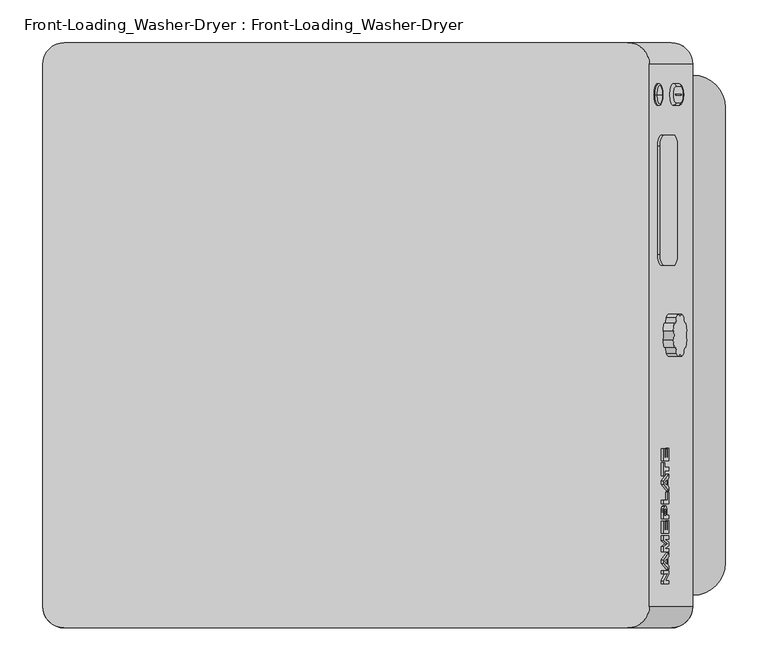
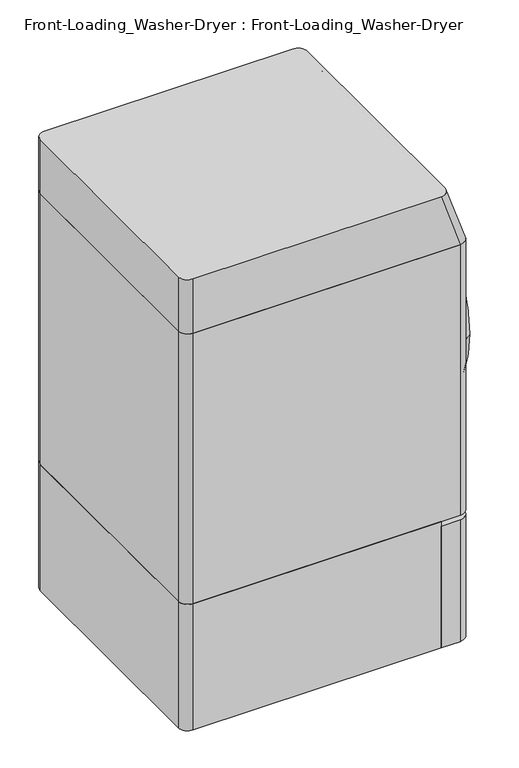
"""IFC4 building model written with IfcOpenShell, lengths in millimetres: proxy geometry, Front-Loading_Washer-Dryer : Front-Loading_Washer-Dryer."""

from ifc_helpers import new_model, si_unit, point, frame, frame_2d, origin, origin_with_axes, place, context, project, spatial, polyline, circle_curve, ellipse_curve, trimmed, segment, composite_curve, outline, extrude, source, transform, mapped, element, save
from ifc_brep_helpers import plane_surface, cylinder_surface, revolved_surface, extruded_surface, advanced_brep


def front_loading_washer_dryer_front_loading_washer_dryer_fe04e321(model_context):
    return source(origin(), model_context, "Body", "SolidModel", [
        extrude(outline(composite_curve([segment(polyline([(0.0, 0.0), (19.0499999, 0.0)]), True, "CONTINUOUS"), segment(trimmed(circle_curve(frame_2d((19.0499999, -0.5953125)), 0.5953125), [point((19.0499999, 0.0))], [point((19.0499999, -1.190625))], False, "CARTESIAN"), True, "CONTINUOUS"), segment(polyline([(19.0499999, -1.190625), (0.0, -1.190625)]), True, "CONTINUOUS"), segment(trimmed(circle_curve(frame_2d((0.0, -0.5953125)), 0.5953125), [point((0.0, -1.190625))], [point((0.0, 0.0))], False, "CARTESIAN"), True, "CONTINUOUS")], self_intersect=False)), frame((358.0172785, 282.6349595, 1186.6279667), z_axis=(0.9489499247890736, 0.0, 0.31542675892005706), x_axis=(0.31542675892005706, 0.0, -0.9489499247890736)), (0.0, 0.0, 1.0), 3.175),
        advanced_brep(
        [(358.0172785, 294.739647, 1186.6279667), (358.0172785, 269.339647, 1186.6279667), (361.0301945, 272.514647, 1187.6294467), (361.0301945, 291.564647, 1187.6294467), (367.0390743, 291.564647, 1169.5519506), (364.0261583, 294.739647, 1168.5504707), (364.0261583, 269.339647, 1168.5504707), (367.0390743, 272.514647, 1169.5519506), (361.0301945, 282.3373033, 1187.6294467), (367.0390743, 282.3373033, 1169.5519506), (367.0390743, 281.7419908, 1169.5519506), (361.0301945, 281.7419908, 1187.6294467), (358.0172785, 281.7419908, 1186.6279667), (358.0172785, 282.3373033, 1186.6279667), (364.0261583, 282.3373033, 1168.5504707), (364.0261583, 281.7419908, 1168.5504707)],
        [
            (0, 1, circle_curve(frame((358.0172785, 282.039647, 1186.6279667), z_axis=(0.9489499247890735, 0.0, 0.31542675892005706), x_axis=(0.0, -1.0, 0.0)), 12.7)),
            (1, 2, circle_curve(frame((358.0172785, 272.514647, 1186.6279667), z_axis=(-0.31542675892005706, 0.0, 0.9489499247890735), x_axis=(0.9489499247890735, 0.0, 0.31542675892005706)), 3.175)),
            (2, 3, circle_curve(frame((361.0301945, 282.039647, 1187.6294467), z_axis=(-0.9489499247890735, 0.0, -0.31542675892005706), x_axis=(0.0, -1.0, 0.0)), 9.525)),
            (3, 0, circle_curve(frame((358.0172785, 291.564647, 1186.6279667), z_axis=(-0.31542675892005706, 0.0, 0.9489499247890735), x_axis=(0.9489499247890735, 0.0, 0.31542675892005706)), 3.175)),
            (3, 4),
            (4, 5, circle_curve(frame((364.0261583, 291.564647, 1168.5504707), z_axis=(-0.31542675892005717, 0.0, 0.9489499247890735), x_axis=(0.9489499247890735, 0.0, 0.31542675892005717)), 3.175)),
            (5, 0),
            (6, 5, circle_curve(frame((364.0261583, 282.039647, 1168.5504707), z_axis=(0.9489499247890735, 0.0, 0.31542675892005706), x_axis=(0.0, 1.0, 0.0)), 12.7)),
            (4, 7, circle_curve(frame((367.0390743, 282.039647, 1169.5519506), z_axis=(-0.9489499247890735, 0.0, -0.31542675892005706), x_axis=(0.0, 1.0, 0.0)), 9.525)),
            (7, 6, circle_curve(frame((364.0261583, 272.514647, 1168.5504707), z_axis=(0.31542675892005706, 0.0, -0.9489499247890735), x_axis=(0.9489499247890735, 0.0, 0.31542675892005706)), 3.175)),
            (2, 7),
            (8, 9),
            (9, 10, circle_curve(frame((367.0390743, 282.039647, 1169.5519506), z_axis=(-0.9489499247890735, 0.0, -0.31542675892005706), x_axis=(0.0, 1.0, 0.0)), 0.2976563)),
            (10, 11),
            (11, 8, circle_curve(frame((361.0301945, 282.039647, 1187.6294467), z_axis=(-0.9489499247890735, 0.0, -0.31542675892005706), x_axis=(0.0, -1.0, 0.0)), 0.2976563)),
            (1, 6),
            (11, 12),
            (12, 13, circle_curve(frame((358.0172785, 282.039647, 1186.6279667), z_axis=(-0.9489499247890735, 0.0, -0.31542675892005706), x_axis=(0.0, -1.0, 0.0)), 0.2976563)),
            (13, 8),
            (13, 14),
            (14, 9),
            (14, 15, circle_curve(frame((364.0261583, 282.039647, 1168.5504707), z_axis=(-0.9489499247890735, 0.0, -0.31542675892005706), x_axis=(0.0, 1.0, 0.0)), 0.2976563)),
            (15, 10),
            (12, 15),
        ],
        [
            revolved_surface(trimmed(ellipse_curve(frame((358.0172785, 272.514647, 1186.6279667), z_axis=(0.31542675892005706, 0.0, -0.9489499247890735), x_axis=(0.9489499247890735, 0.0, 0.31542675892005706)), 3.175, 3.175), [point((361.0301945, 272.514647, 1187.6294467))], [point((358.0172785, 269.339647, 1186.6279667))], True, "CARTESIAN"), (8.7732657, 282.039647, 1070.5408011), (-0.9489499247890735, 0.0, -0.31542675892005706)),
            cylinder_surface(frame((358.0172785, 291.564647, 1186.6279667), z_axis=(-0.31542675892005717, 0.0, 0.9489499247890735), x_axis=(0.9489499247890735, 0.0, 0.31542675892005717)), 3.175),
            revolved_surface(trimmed(ellipse_curve(frame((364.0261583, 291.564647, 1168.5504707), z_axis=(-0.31542675892005706, 0.0, 0.9489499247890735), x_axis=(0.9489499247890735, 0.0, 0.31542675892005706)), 3.175, 3.175), [point((367.0390743, 291.564647, 1169.5519506))], [point((364.0261583, 294.739647, 1168.5504707))], True, "CARTESIAN"), (14.7821454, 282.039647, 1052.4633051), (-0.9489499247890735, 0.0, -0.31542675892005706)),
            plane_surface(frame((367.0390743, 281.7419908, 1169.5519506), z_axis=(0.9489499247890728, 0.0, 0.3154267589200591), x_axis=(-0.3154267589200591, 0.0, 0.9489499247890728))),
            cylinder_surface(frame((364.0261583, 272.514647, 1168.5504707), z_axis=(0.31542675892005706, 0.0, -0.9489499247890735), x_axis=(0.9489499247890735, 0.0, 0.31542675892005706)), 3.175),
            revolved_surface(polyline([(358.0172785111527, 281.7419907, 1186.6279666664473), (361.030194524369, 281.7419907, 1187.6294466266868)]), (8.7732657, 282.039647, 1070.5408011), (-0.9489499247890735, 0.0, -0.31542675892005706)),
            plane_surface(frame((358.0172785, 282.3373033, 1186.6279667), z_axis=(0.0, -1.0000000000000002, 0.0), x_axis=(0.3154267589200549, 0.0, -0.9489499247890743))),
            revolved_surface(polyline([(364.0261583012034, 282.33730330000003, 1168.5504706963798), (367.0390742844871, 282.33730330000003, 1169.5519506466699)]), (14.7821454, 282.039647, 1052.4633051), (-0.9489499247890735, 0.0, -0.31542675892005706)),
            plane_surface(frame((364.0261583, 269.339647, 1168.5504707), z_axis=(-0.9489499247890736, 0.0, -0.31542675892005706), x_axis=(-0.31542675892005706, 0.0, 0.9489499247890736))),
            plane_surface(frame((364.0261583, 281.7419908, 1168.5504707), z_axis=(0.0, 1.0, 0.0), x_axis=(-0.3154267589200591, 0.0, 0.9489499247890728))),
        ],
        [
            (0, [[1, 2, 3, 4]]),
            (1, [[-4, 5, 6, 7]]),
            (2, [[8, -6, 9, 10]]),
            (3, [[11, -9, -5, -3], [12, 13, 14, 15]]),
            (4, [[-10, -11, -2, 16]]),
            (5, [[-15, 17, 18, 19]]),
            (6, [[-19, 20, 21, -12]]),
            (7, [[-13, -21, 22, 23]]),
            (8, [[-7, -8, -16, -1], [24, -22, -20, -18]]),
            (9, [[-23, -24, -17, -14]]),
        ],
    ),
        advanced_brep(
        [(344.8918447, 282.039647, 1230.9734177), (336.8930612, 282.039647, 1255.0810817), (338.8966912, 282.039647, 1254.0757933), (345.897133, 282.039647, 1232.9770478), (343.3851157, 282.039647, 1230.4734937), (335.3863322, 282.039647, 1254.5811577), (339.3857239, 282.039647, 1242.5273257), (342.3991819, 282.039647, 1243.5271736)],
        [
            (0, 1, circle_curve(frame((340.8924529, 282.039647, 1243.0272497), z_axis=(0.9491206283750023, 0.0, 0.3149127383784923), x_axis=(-0.3149127383784923, 0.0, 0.9491206283750023)), 12.7)),
            (1, 2, circle_curve(frame((337.392232, 282.039647, 1253.5766224), z_axis=(0.0, 1.0, 0.0), x_axis=(0.9491206283750023, 0.0, 0.3149127383784923)), 1.5851085)),
            (2, 3, circle_curve(frame((342.3969121, 282.039647, 1243.5264205), z_axis=(-0.9491206283750023, 0.0, -0.3149127383784923), x_axis=(-0.3149127383784923, 0.0, 0.9491206283750023)), 11.1148915)),
            (3, 0, circle_curve(frame((344.3926738, 282.039647, 1232.4778769), z_axis=(0.0, 1.0, 0.0), x_axis=(0.9491206283750023, 0.0, 0.3149127383784923)), 1.5851085)),
            (1, 0, circle_curve(frame((340.8924529, 282.039647, 1243.0272497), z_axis=(0.9491206283750023, 0.0, 0.3149127383784923), x_axis=(-0.3149127383784923, 0.0, 0.9491206283750023)), 12.7)),
            (3, 2, circle_curve(frame((342.3969121, 282.039647, 1243.5264205), z_axis=(-0.9491206283750023, 0.0, -0.3149127383784923), x_axis=(-0.3149127383784923, 0.0, 0.9491206283750023)), 11.1148915)),
            (4, 5, circle_curve(frame((339.3857239, 282.039647, 1242.5273257), z_axis=(0.9491206283750023, 0.0, 0.3149127383784923), x_axis=(-0.3149127383784923, 0.0, 0.9491206283750023)), 12.7)),
            (5, 1),
            (0, 4),
            (5, 4, circle_curve(frame((339.3857239, 282.039647, 1242.5273257), z_axis=(0.9491206283750023, 0.0, 0.3149127383784923), x_axis=(-0.3149127383784923, 0.0, 0.9491206283750023)), 12.7)),
            (6, 5),
            (4, 6),
            (2, 7),
            (7, 3),
        ],
        [
            revolved_surface(trimmed(ellipse_curve(frame((337.392232, 282.039647, 1253.5766224), z_axis=(0.0, -1.0, 0.0), x_axis=(0.9491206283750023, 0.0, 0.3149127383784923)), 1.5851085, 1.5851085), [point((338.8966912, 282.039647, 1254.0757933))], [point((336.8930612, 282.039647, 1255.0810817))], True, "CARTESIAN"), (332.6969159, 282.039647, 1240.3080179), (-0.9491206283750023, 0.0, -0.3149127383784923)),
            cylinder_surface(frame((332.6969159, 282.039647, 1240.3080179), z_axis=(-0.9491206283750023, 0.0, -0.3149127383784923), x_axis=(-0.3149127383784923, 0.0, 0.9491206283750023)), 12.7),
            plane_surface(frame((339.3857239, 282.039647, 1242.5273257), z_axis=(-0.9491206283750023, 0.0, -0.3149127383784923), x_axis=(-0.3149127383784923, 0.0, 0.9491206283750023))),
            plane_surface(frame((342.3991819, 282.039647, 1243.5271736), z_axis=(0.9491206283750023, 0.0, 0.3149127383784923), x_axis=(-0.3149127383784923, 0.0, 0.9491206283750023))),
        ],
        [
            (0, [[1, 2, 3, 4]]),
            (0, [[5, -4, 6, -2]]),
            (1, [[7, 8, -1, 9]]),
            (1, [[10, -9, -5, -8]]),
            (2, [[11, -7, 12]]),
            (2, [[-12, -10, -11]]),
            (3, [[-3, 13, 14]]),
            (3, [[-6, -14, -13]]),
        ],
    ),
        advanced_brep(
        [(304.8, 342.9, 342.9), (304.8, -342.9, 342.9), (355.6, -342.9, 342.9), (381.0, -317.5, 342.9), (381.0, 317.5, 342.9), (355.6, 342.9, 342.9), (304.8, 342.9, 0.0), (355.6, 342.9, 0.0), (381.0, 317.5, 0.0), (381.0, -317.5, 0.0), (355.6, -342.9, 0.0), (304.8, -342.9, 0.0), (381.0, -50.8, 317.5), (381.0, 50.8, 317.5), (381.0, 50.8, 292.1), (381.0, -50.8, 292.1), (355.6, 50.8, 317.5), (355.6, -50.8, 317.5), (355.6, -50.8, 292.1), (355.6, 50.8, 292.1)],
        [
            (0, 1),
            (1, 2),
            (2, 3, circle_curve(frame((355.6, -317.5, 342.9), z_axis=(0.0, 0.0, 1.0), x_axis=(1.0, 0.0, 0.0)), 25.4)),
            (3, 4),
            (4, 5, circle_curve(frame((355.6, 317.5, 342.9), z_axis=(0.0, 0.0, 1.0), x_axis=(1.0, 0.0, 0.0)), 25.4)),
            (5, 0),
            (6, 7),
            (7, 8, circle_curve(frame((355.6, 317.5, 0.0), z_axis=(0.0, 0.0, -1.0), x_axis=(1.0, 0.0, 0.0)), 25.4)),
            (8, 9),
            (9, 10, circle_curve(frame((355.6, -317.5, 0.0), z_axis=(0.0, 0.0, -1.0), x_axis=(1.0, 0.0, 0.0)), 25.4)),
            (10, 11),
            (11, 6),
            (1, 11),
            (10, 2),
            (5, 7),
            (6, 0),
            (3, 9),
            (8, 4),
            (12, 13),
            (13, 14, circle_curve(frame((381.0, 50.8, 304.8), z_axis=(-1.0, 0.0, 0.0), x_axis=(0.0, -1.0, 0.0)), 12.7)),
            (14, 15),
            (15, 12, circle_curve(frame((381.0, -50.8, 304.8), z_axis=(-1.0, 0.0, 0.0), x_axis=(0.0, 1.0, 0.0)), 12.7)),
            (16, 17),
            (17, 18, circle_curve(frame((355.6, -50.8, 304.8), z_axis=(1.0, 0.0, 0.0), x_axis=(0.0, 1.0, 0.0)), 12.7)),
            (18, 19),
            (19, 16, circle_curve(frame((355.6, 50.8, 304.8), z_axis=(1.0, 0.0, 0.0), x_axis=(0.0, -1.0, 0.0)), 12.7)),
            (16, 13),
            (12, 17),
            (15, 18),
            (14, 19),
        ],
        [
            plane_surface(frame((304.8, -292.1, 342.9), z_axis=(0.0, 0.0, 1.0), x_axis=(0.0, -1.0, 0.0))),
            plane_surface(frame((304.8, -292.1, 0.0), z_axis=(0.0, 0.0, -1.0), x_axis=(0.0, 1.0, 0.0))),
            plane_surface(frame((304.8, -342.9, 342.9), z_axis=(0.0, -1.0, 0.0), x_axis=(0.0, 0.0, -1.0))),
            plane_surface(frame((355.6, 342.9, 342.9), z_axis=(0.0, 1.0, 0.0), x_axis=(0.0, 0.0, -1.0))),
            plane_surface(frame((381.0, -317.5, 342.9), z_axis=(1.0, 0.0, 0.0), x_axis=(0.0, 0.0, -1.0))),
            plane_surface(frame((304.8, 342.9, 342.9), z_axis=(-1.0, 0.0, 0.0), x_axis=(0.0, 0.0, -1.0))),
            cylinder_surface(frame((355.6, -317.5, 0.0), z_axis=(0.0, 0.0, 1.0), x_axis=(1.0, 0.0, 0.0)), 25.4),
            cylinder_surface(frame((355.6, 317.5, 0.0), z_axis=(0.0, 0.0, 1.0), x_axis=(1.0, 0.0, 0.0)), 25.4),
            plane_surface(frame((355.6, 0.0, 317.5), z_axis=(1.0, 0.0, 0.0), x_axis=(0.0, 1.0, 0.0))),
            plane_surface(frame((381.0, 50.8, 317.5), z_axis=(0.0, 0.0, -1.0), x_axis=(-1.0, 0.0, 0.0))),
            revolved_surface(polyline([(381.0, -38.099999999999994, 304.8), (355.6, -38.099999999999994, 304.8)]), (355.6, -50.8, 304.8), (1.0, 0.0, 0.0)),
            plane_surface(frame((381.0, -50.8, 292.1), z_axis=(0.0, 0.0, 1.0), x_axis=(-1.0, 0.0, 0.0))),
            revolved_surface(polyline([(381.0, 38.099999999999994, 304.8), (355.6, 38.099999999999994, 304.8)]), (355.6, 50.8, 304.8), (1.0, 0.0, 0.0)),
        ],
        [
            (0, [[1, 2, 3, 4, 5, 6]]),
            (1, [[7, 8, 9, 10, 11, 12]]),
            (2, [[-2, 13, -11, 14]]),
            (3, [[-6, 15, -7, 16]]),
            (4, [[-4, 17, -9, 18], [19, 20, 21, 22]]),
            (5, [[-1, -16, -12, -13]]),
            (6, [[-3, -14, -10, -17]]),
            (7, [[-5, -18, -8, -15]]),
            (8, [[23, 24, 25, 26]]),
            (9, [[-23, 27, -19, 28]]),
            (10, [[-24, -28, -22, 29]]),
            (11, [[-25, -29, -21, 30]]),
            (12, [[-26, -30, -20, -27]]),
        ],
    ),
        extrude(outline(composite_curve([segment(polyline([(-355.6, 342.9), (304.8, 342.9), (304.8, -342.9), (-355.6, -342.9)]), True, "CONTINUOUS"), segment(trimmed(circle_curve(frame_2d((-355.6, -317.5)), 25.4), [point((-355.6, -342.9))], [point((-381.0, -317.5))], False, "CARTESIAN"), True, "CONTINUOUS"), segment(polyline([(-381.0, -317.5), (-381.0, 317.5)]), True, "CONTINUOUS"), segment(trimmed(circle_curve(frame_2d((-355.6, 317.5)), 25.4), [point((-381.0, 317.5))], [point((-355.6, 342.9))], False, "CARTESIAN"), True, "CONTINUOUS")], self_intersect=False)), origin_with_axes(), (0.0, 0.0, 1.0), 355.6),
        extrude(outline(polyline([(0.0, 0.0), (0.0, -19.4082653), (-3.6475934, -19.4082653), (-11.7326802, -6.4694217), (-11.7326802, -19.4082653), (-15.3511703, -19.4082653), (-15.3511703, 0.0), (-11.5177805, 0.0), (-3.5819397, -12.6999999), (-3.5819397, 0.0), (0.0, 0.0)])), frame((349.7854845, -291.3389733, 1210.7781159), z_axis=(0.9510565162951609, 0.0, 0.30901699437492497), x_axis=(0.0, -1.0, 0.0)), (0.0, 0.0, 1.0), 3.175),
        extrude(outline(polyline([(-20.9183696, 0.0), (-16.8004034, 0.0), (-24.2694615, -19.4082653), (-28.4113643, -19.4082653), (-36.2528125, 0.0), (-31.9718055, 0.0), (-30.2874339, -4.3879381), (-22.5154485, -4.3879381), (-20.9183696, 0.0)]), holes=[polyline([(-29.0094045, -7.7173184), (-26.2980665, -14.7805955), (-23.7272438, -7.7173184), (-29.0094045, -7.7173184)])]), frame((349.7854845, -291.3389733, 1210.7781159), z_axis=(0.9510565162951609, 0.0, 0.30901699437492497), x_axis=(0.0, -1.0, 0.0)), (0.0, 0.0, 1.0), 3.175),
        extrude(outline(polyline([(-41.0940666, 0.0), (-37.4402955, 0.0), (-37.4402955, -19.4082653), (-43.2719944, -19.4082653), (-46.8129646, -6.1931846), (-50.2976749, -19.4082653), (-56.1564266, -19.4082653), (-56.1564266, 0.0), (-52.4904717, 0.0), (-52.4904717, -15.3362999), (-48.6667027, 0.0), (-44.8805558, 0.0), (-41.0940666, -15.1867784), (-41.0940666, 0.0)])), frame((349.7854845, -291.3389733, 1210.7781159), z_axis=(0.9510565162951609, 0.0, 0.30901699437492497), x_axis=(0.0, -1.0, 0.0)), (0.0, 0.0, 1.0), 3.175),
        extrude(outline(polyline([(-59.2631052, -19.4082653), (-73.5745418, -19.4082653), (-73.5745418, -16.1146466), (-63.0564338, -16.1146466), (-63.0564338, -11.8382492), (-72.8884929, -11.8382492), (-72.8884929, -8.5121622), (-63.0564338, -8.5121622), (-63.0564338, -3.2854542), (-73.9850051, -3.2854542), (-73.9850051, 0.0), (-59.2631052, 0.0), (-59.2631052, -19.4082653)])), frame((349.7854845, -291.3389733, 1210.7781159), z_axis=(0.9510565162951609, 0.0, 0.30901699437492497), x_axis=(0.0, -1.0, 0.0)), (0.0, 0.0, 1.0), 3.175),
        extrude(outline(composite_curve([segment(polyline([(-76.481082, 0.0), (-76.481082, -19.4082653), (-84.3834369, -19.4082653)]), True, "CONTINUOUS"), segment(trimmed(circle_curve(frame_2d((-84.0445582, 5.7496213)), 25.1601689), [point((-84.3834369, -19.4082653))], [point((-86.1905714, -19.3188595))], False, "CARTESIAN"), True, "CONTINUOUS"), segment(trimmed(circle_curve(frame_2d((-85.8381456, -13.4521879)), 5.8772476), [point((-86.1905714, -19.3188595))], [point((-87.9584349, -18.9336486))], False, "CARTESIAN"), True, "CONTINUOUS"), segment(trimmed(circle_curve(frame_2d((-85.9272377, -13.9904108)), 5.3442831), [point((-87.9584349, -18.9336486))], [point((-91.0508465, -15.5102776))], False, "CARTESIAN"), True, "CONTINUOUS"), segment(trimmed(circle_curve(frame_2d((-85.0362422, -13.7261061)), 6.2736539), [point((-91.0508465, -15.5102776))], [point((-91.2999218, -13.3724806))], False, "CARTESIAN"), True, "CONTINUOUS"), segment(trimmed(circle_curve(frame_2d((-85.0362422, -13.0188551)), 6.2736539), [point((-91.2999218, -13.3724806))], [point((-91.0508465, -11.2346837))], False, "CARTESIAN"), True, "CONTINUOUS"), segment(trimmed(circle_curve(frame_2d((-85.9272377, -12.7545503)), 5.3442831), [point((-91.0508465, -11.2346837))], [point((-87.9584349, -7.8113125))], False, "CARTESIAN"), True, "CONTINUOUS"), segment(trimmed(circle_curve(frame_2d((-85.8381456, -13.2927734)), 5.8772476), [point((-87.9584349, -7.8113125))], [point((-86.1905714, -7.4261018))], False, "CARTESIAN"), True, "CONTINUOUS"), segment(trimmed(circle_curve(frame_2d((-84.0445582, -32.4945826)), 25.1601689), [point((-86.1905714, -7.4261018))], [point((-85.0508669, -7.3545459))], False, "CARTESIAN"), True, "CONTINUOUS"), segment(polyline([(-85.0508669, -7.3545459), (-80.3729896, -7.3545459), (-80.3729896, 0.0), (-76.481082, 0.0)]), True, "CONTINUOUS")], self_intersect=False), holes=[composite_curve([segment(polyline([(-80.3801712, -10.5984368), (-83.5058008, -10.5984368)]), True, "CONTINUOUS"), segment(trimmed(circle_curve(frame_2d((-82.3954332, -31.8055515)), 21.2361633), [point((-83.5058008, -10.5984368))], [point((-85.0356017, -10.7341458))], True, "CARTESIAN"), True, "CONTINUOUS"), segment(trimmed(circle_curve(frame_2d((-84.7107772, -13.3265976)), 2.6127223), [point((-85.0356017, -10.7341458))], [point((-87.3230965, -13.3724806))], True, "CARTESIAN"), True, "CONTINUOUS"), segment(trimmed(circle_curve(frame_2d((-84.7107772, -13.4183637)), 2.6127223), [point((-87.3230965, -13.3724806))], [point((-85.0356017, -16.0108155))], True, "CARTESIAN"), True, "CONTINUOUS"), segment(trimmed(circle_curve(frame_2d((-82.3954332, 5.0605902)), 21.2361633), [point((-85.0356017, -16.0108155))], [point((-83.5058008, -16.1465245))], True, "CARTESIAN"), True, "CONTINUOUS"), segment(polyline([(-83.5058008, -16.1465245), (-80.3801712, -16.1465245), (-80.3801712, -10.5984368)]), True, "CONTINUOUS")], self_intersect=False)]), frame((349.7854845, -291.3389733, 1210.7781159), z_axis=(0.9510565162951609, 0.0, 0.30901699437492497), x_axis=(0.0, -1.0, 0.0)), (0.0, 0.0, 1.0), 3.175),
        extrude(outline(polyline([(-93.9163454, -19.4082653), (-97.7191565, -19.4082653), (-97.7191565, -3.3491184), (-107.5019032, -3.3491184), (-107.5019032, 0.0), (-93.9163454, 0.0), (-93.9163454, -19.4082653)])), frame((349.7854845, -291.3389733, 1210.7781159), z_axis=(0.9510565162951609, 0.0, 0.30901699437492497), x_axis=(0.0, -1.0, 0.0)), (0.0, 0.0, 1.0), 3.175),
        extrude(outline(polyline([(-113.3447478, 0.0), (-109.1479574, 0.0), (-116.6703908, -19.4137355), (-120.8089322, -19.4137355), (-128.5742308, 0.0), (-124.3721052, 0.0), (-122.6975907, -4.3622596), (-114.9324805, -4.3622596), (-113.3447478, 0.0)]), holes=[polyline([(-121.4098452, -7.7169513), (-118.7117523, -14.7457236), (-116.1534884, -7.7169513), (-121.4098452, -7.7169513)])]), frame((349.7854845, -291.3389733, 1210.7781159), z_axis=(0.9510565162951609, 0.0, 0.30901699437492497), x_axis=(0.0, -1.0, 0.0)), (0.0, 0.0, 1.0), 3.175),
        extrude(outline(polyline([(-142.1543419, -19.4137355), (-142.1543419, -16.1834727), (-136.4699652, -16.1834727), (-136.4699652, -0.037563), (-132.5739016, -0.037563), (-132.5739016, -16.1834727), (-126.7721711, -16.1834727), (-126.7721711, -19.4137355), (-142.1543419, -19.4137355)])), frame((349.7854845, -291.3389733, 1210.7781159), z_axis=(0.9510565162951609, 0.0, 0.30901699437492497), x_axis=(0.0, -1.0, 0.0)), (0.0, 0.0, 1.0), 3.175),
        extrude(outline(polyline([(-143.9581497, -19.4082653), (-158.2695863, -19.4082653), (-158.2695863, -16.1146466), (-147.7514783, -16.1146466), (-147.7514783, -11.8382492), (-157.5835374, -11.8382492), (-157.5835374, -8.5121622), (-147.7514783, -8.5121622), (-147.7514783, -3.2854542), (-158.6800496, -3.2854542), (-158.6800496, 0.0), (-143.9581497, 0.0), (-143.9581497, -19.4082653)])), frame((349.7854845, -291.3389733, 1210.7781159), z_axis=(0.9510565162951609, 0.0, 0.30901699437492497), x_axis=(0.0, -1.0, 0.0)), (0.0, 0.0, 1.0), 3.175),
        extrude(outline(composite_curve([segment(trimmed(circle_curve(frame_2d((139.7, -12.6999999)), 12.7), [point((139.7, 0.0))], [point((152.4, -12.6999999))], False, "CARTESIAN"), True, "CONTINUOUS"), segment(polyline([(152.4, -12.6999999), (152.4, -50.8)]), True, "CONTINUOUS"), segment(trimmed(circle_curve(frame_2d((139.7, -50.8)), 12.7), [point((152.4, -50.8))], [point((139.7, -63.4999999))], False, "CARTESIAN"), True, "CONTINUOUS"), segment(polyline([(139.7, -63.4999999), (12.7, -63.4999999)]), True, "CONTINUOUS"), segment(trimmed(circle_curve(frame_2d((12.7, -50.8)), 12.7), [point((12.7, -63.4999999))], [point((0.0, -50.8))], False, "CARTESIAN"), True, "CONTINUOUS"), segment(polyline([(0.0, -50.8), (0.0, -12.6999999)]), True, "CONTINUOUS"), segment(trimmed(circle_curve(frame_2d((12.7, -12.6999999)), 12.7), [point((0.0, -12.6999999))], [point((12.7, 0.0))], False, "CARTESIAN"), True, "CONTINUOUS"), segment(polyline([(12.7, 0.0), (139.7, 0.0)]), True, "CONTINUOUS")], self_intersect=False)), frame((339.7309526, 82.014647, 1241.5274215), z_axis=(0.9480173131012217, 0.0, 0.31821875189928733), x_axis=(0.0, 1.0, 0.0)), (0.0, 0.0, 1.0), 3.175),
        extrude(outline(composite_curve([segment(trimmed(circle_curve(frame_2d((0.0, -22.1770467)), 25.4), [point((5.1874203, 2.6876003))], [point((6.3001953, 2.4292033))], False, "CARTESIAN"), True, "CONTINUOUS"), segment(trimmed(circle_curve(frame_2d((0.0, -22.1770467)), 25.4), [point((6.3001953, 2.4292033))], [point((13.9139006, -0.9270262))], False, "CARTESIAN"), True, "CONTINUOUS"), segment(trimmed(circle_curve(frame_2d((20.1716682, -2.0053785)), 6.35), [point((13.9139006, -0.9270262))], [point((21.2500206, -8.2631462))], True, "CARTESIAN"), True, "CONTINUOUS"), segment(trimmed(circle_curve(frame_2d((0.0, -22.1770467)), 25.4), [point((21.2500206, -8.2631462))], [point((24.8646471, -16.9896265))], False, "CARTESIAN"), True, "CONTINUOUS"), segment(trimmed(circle_curve(frame_2d((28.5270467, -22.1770467)), 6.35), [point((24.8646471, -16.9896265))], [point((24.8646471, -27.3644669))], True, "CARTESIAN"), True, "CONTINUOUS"), segment(trimmed(circle_curve(frame_2d((0.0, -22.1770467)), 25.4), [point((24.8646471, -27.3644669))], [point((21.2500206, -36.0909472))], False, "CARTESIAN"), True, "CONTINUOUS"), segment(trimmed(circle_curve(frame_2d((20.1716682, -42.3487149)), 6.35), [point((21.2500206, -36.0909472))], [point((13.9139006, -43.4270672))], True, "CARTESIAN"), True, "CONTINUOUS"), segment(trimmed(circle_curve(frame_2d((0.0, -22.1770467)), 25.4), [point((13.9139006, -43.4270672))], [point((5.1874203, -47.0416937))], False, "CARTESIAN"), True, "CONTINUOUS"), segment(trimmed(circle_curve(frame_2d((0.0, -50.7040934)), 6.35), [point((5.1874203, -47.0416937))], [point((-5.1874202, -47.0416937))], True, "CARTESIAN"), True, "CONTINUOUS"), segment(trimmed(circle_curve(frame_2d((0.0, -22.1770467)), 25.4), [point((-5.1874202, -47.0416937))], [point((-13.9139005, -43.4270672))], False, "CARTESIAN"), True, "CONTINUOUS"), segment(trimmed(circle_curve(frame_2d((-20.1716681, -42.3487149)), 6.35), [point((-13.9139005, -43.4270672))], [point((-21.2500205, -36.0909472))], True, "CARTESIAN"), True, "CONTINUOUS"), segment(trimmed(circle_curve(frame_2d((0.0, -22.1770467)), 25.4), [point((-21.2500205, -36.0909472))], [point((-24.864647, -27.3644669))], False, "CARTESIAN"), True, "CONTINUOUS"), segment(trimmed(circle_curve(frame_2d((-28.5270467, -22.1770467)), 6.35), [point((-24.864647, -27.3644669))], [point((-24.864647, -16.9896265))], True, "CARTESIAN"), True, "CONTINUOUS"), segment(trimmed(circle_curve(frame_2d((0.0, -22.1770467)), 25.4), [point((-24.864647, -16.9896265))], [point((-21.2500205, -8.2631462))], False, "CARTESIAN"), True, "CONTINUOUS"), segment(trimmed(circle_curve(frame_2d((-20.1716681, -2.0053785)), 6.35), [point((-21.2500205, -8.2631462))], [point((-13.9139005, -0.9270262))], True, "CARTESIAN"), True, "CONTINUOUS"), segment(trimmed(circle_curve(frame_2d((0.0, -22.1770467)), 25.4), [point((-13.9139005, -0.9270262))], [point((-5.1874202, 2.6876003))], False, "CARTESIAN"), True, "CONTINUOUS"), segment(trimmed(circle_curve(frame_2d((0.0, 6.35)), 6.35), [point((-5.1874202, 2.6876003))], [point((5.1874203, 2.6876003))], True, "CARTESIAN"), True, "CONTINUOUS")], self_intersect=False)), frame((354.0471433, -22.1770467, 1198.860669), z_axis=(0.9481460177472021, 0.0, 0.3178350657654414), x_axis=(-0.3178350657654414, 0.0, 0.9481460177472021)), (0.0, 0.0, 1.0), 12.7),
        advanced_brep(
        [(304.8, 342.9, 1270.0), (-355.6, 342.9, 1270.0), (-381.0, 317.5, 1270.0), (-381.0, -317.5, 1270.0), (-355.6, -342.9, 1270.0), (304.8, -342.9, 1270.0), (330.2, -317.5, 1270.0), (330.2, 317.5, 1270.0), (355.6, 342.9, 1117.6), (381.0, 317.5, 1117.6), (381.0, -317.5, 1117.6), (355.6, -342.9, 1117.6), (-355.6, -342.9, 1117.6), (-381.0, -317.5, 1117.6), (-381.0, 317.5, 1117.6), (-355.6, 342.9, 1117.6)],
        [
            (0, 1),
            (1, 2, circle_curve(frame((-355.6, 317.5, 1270.0), z_axis=(0.0, 0.0, 1.0), x_axis=(-1.0, 0.0, 0.0)), 25.4)),
            (2, 3),
            (3, 4, circle_curve(frame((-355.6, -317.5, 1270.0), z_axis=(0.0, 0.0, 1.0), x_axis=(0.0, -1.0, 0.0)), 25.4)),
            (4, 5),
            (5, 6, circle_curve(frame((304.8, -317.5, 1270.0), z_axis=(0.0, 0.0, 1.0), x_axis=(1.0, 0.0, 0.0)), 25.4)),
            (6, 7),
            (7, 0, circle_curve(frame((304.8, 317.5, 1270.0), z_axis=(0.0, 0.0, 1.0), x_axis=(1.0, 0.0, 0.0)), 25.4)),
            (8, 9, circle_curve(frame((355.6, 317.5, 1117.6), z_axis=(0.0, 0.0, -1.0), x_axis=(1.0, 0.0, 0.0)), 25.4)),
            (9, 10),
            (10, 11, circle_curve(frame((355.6, -317.5, 1117.6), z_axis=(0.0, 0.0, -1.0), x_axis=(1.0, 0.0, 0.0)), 25.4)),
            (11, 12),
            (12, 13, circle_curve(frame((-355.6, -317.5, 1117.6), z_axis=(0.0, 0.0, -1.0), x_axis=(0.0, -1.0, 0.0)), 25.4)),
            (13, 14),
            (14, 15, circle_curve(frame((-355.6, 317.5, 1117.6), z_axis=(0.0, 0.0, -1.0), x_axis=(-1.0, 0.0, 0.0)), 25.4)),
            (15, 8),
            (15, 1),
            (0, 8),
            (13, 3),
            (2, 14),
            (11, 5),
            (4, 12),
            (9, 7),
            (6, 10),
        ],
        [
            plane_surface(frame((-25.4, 0.0, 1270.0), z_axis=(0.0, 0.0, 1.0), x_axis=(-1.0, 0.0, 0.0))),
            plane_surface(frame((0.0, 0.0, 1117.6), z_axis=(0.0, 0.0, -1.0), x_axis=(-1.0, 0.0, 0.0))),
            plane_surface(frame((0.0, 342.9, 1117.6), z_axis=(0.0, 1.0, 0.0), x_axis=(-1.0, 0.0, 0.0))),
            plane_surface(frame((-381.0, 0.0, 1117.6), z_axis=(-1.0, 0.0, 0.0), x_axis=(0.0, -1.0, 0.0))),
            plane_surface(frame((0.0, -342.9, 1117.6), z_axis=(0.0, -1.0, 0.0), x_axis=(1.0, 0.0, 0.0))),
            plane_surface(frame((381.0, 0.0, 1117.6), z_axis=(0.9486832980505099, 0.0, 0.31622776601684965), x_axis=(0.0, 1.0, 0.0))),
            cylinder_surface(frame((-355.6, 317.5, 1117.6), z_axis=(0.0, 0.0, 1.0), x_axis=(-1.0, 0.0, 0.0)), 25.4),
            cylinder_surface(frame((-355.6, -317.5, 1117.6), z_axis=(0.0, 0.0, 1.0), x_axis=(0.0, -1.0, 0.0)), 25.4),
            extruded_surface(trimmed(circle_curve(frame((355.6, -317.5, 1117.6), z_axis=(0.0, 0.0, 1.0), x_axis=(1.0, 0.0, 0.0)), 25.4), [point((355.6, -342.9, 1117.6))], [point((381.0, -317.5, 1117.6))], True, "CARTESIAN"), (-50.80000000000001, 0.0, 152.4000000000001), 160.64370513655376),
            extruded_surface(trimmed(circle_curve(frame((355.6, 317.5, 1117.6), z_axis=(0.0, 0.0, 1.0), x_axis=(1.0, 0.0, 0.0)), 25.4), [point((381.0, 317.5, 1117.6))], [point((355.6, 342.9, 1117.6))], True, "CARTESIAN"), (-50.80000000000001, 0.0, 152.4000000000001), 160.64370513655376),
        ],
        [
            (0, [[1, 2, 3, 4, 5, 6, 7, 8]]),
            (1, [[9, 10, 11, 12, 13, 14, 15, 16]]),
            (2, [[-16, 17, -1, 18]]),
            (3, [[-14, 19, -3, 20]]),
            (4, [[-12, 21, -5, 22]]),
            (5, [[-10, 23, -7, 24]]),
            (6, [[-15, -20, -2, -17]]),
            (7, [[-13, -22, -4, -19]]),
            (8, [[-11, -24, -6, -21]]),
            (9, [[-9, -18, -8, -23]]),
        ],
    ),
        extrude(outline(composite_curve([segment(trimmed(circle_curve(frame_2d((0.0, 812.8)), 209.55), [point((-209.55, 812.8))], [point((209.55, 812.8))], False, "CARTESIAN"), True, "CONTINUOUS"), segment(trimmed(circle_curve(frame_2d((0.0, 812.8)), 209.55), [point((209.55, 812.8))], [point((-209.55, 812.8))], False, "CARTESIAN"), True, "CONTINUOUS")], self_intersect=False)), frame((388.9375, 0.0, 0.0), z_axis=(1.0, 0.0, 0.0), x_axis=(0.0, 1.0, 0.0)), (0.0, 0.0, 1.0), 3.175),
        advanced_brep(
        [(381.0, -304.8, 812.8), (381.0, 304.8, 812.8), (419.1, 266.7, 812.8), (419.1, -266.7, 812.8), (381.0, -209.55, 812.8), (381.0, 209.55, 812.8), (400.05, -209.55, 812.8), (400.05, 209.55, 812.8), (400.05, -228.6, 812.8), (400.05, 228.6, 812.8)],
        [
            (0, 1, circle_curve(frame((381.0, 0.0, 812.8), z_axis=(1.0, 0.0, 0.0), x_axis=(0.0, 1.0, 0.0)), 304.8)),
            (1, 2, circle_curve(frame((381.0, 266.7, 812.8), z_axis=(0.0, 0.0, -1.0), x_axis=(1.0, 0.0, 0.0)), 38.1)),
            (2, 3, circle_curve(frame((419.1, 0.0, 812.8), z_axis=(-1.0, 0.0, 0.0), x_axis=(0.0, 1.0, 0.0)), 266.7)),
            (3, 0, circle_curve(frame((381.0, -266.7, 812.8), z_axis=(0.0, 0.0, -1.0), x_axis=(1.0, 0.0, 0.0)), 38.1)),
            (1, 0, circle_curve(frame((381.0, 0.0, 812.8), z_axis=(1.0, 0.0, 0.0), x_axis=(0.0, 1.0, 0.0)), 304.8)),
            (3, 2, circle_curve(frame((419.1, 0.0, 812.8), z_axis=(-1.0, 0.0, 0.0), x_axis=(0.0, 1.0, 0.0)), 266.7)),
            (4, 5, circle_curve(frame((381.0, 0.0, 812.8), z_axis=(1.0, 0.0, 0.0), x_axis=(0.0, 1.0, 0.0)), 209.55)),
            (5, 1),
            (0, 4),
            (5, 4, circle_curve(frame((381.0, 0.0, 812.8), z_axis=(1.0, 0.0, 0.0), x_axis=(0.0, 1.0, 0.0)), 209.55)),
            (6, 7, circle_curve(frame((400.05, 0.0, 812.8), z_axis=(1.0, 0.0, 0.0), x_axis=(0.0, 1.0, 0.0)), 209.55)),
            (7, 5),
            (4, 6),
            (7, 6, circle_curve(frame((400.05, 0.0, 812.8), z_axis=(1.0, 0.0, 0.0), x_axis=(0.0, 1.0, 0.0)), 209.55)),
            (8, 9, circle_curve(frame((400.05, 0.0, 812.8), z_axis=(1.0, 0.0, 0.0), x_axis=(0.0, 1.0, 0.0)), 228.6)),
            (9, 7),
            (6, 8),
            (9, 8, circle_curve(frame((400.05, 0.0, 812.8), z_axis=(1.0, 0.0, 0.0), x_axis=(0.0, 1.0, 0.0)), 228.6)),
            (2, 9, circle_curve(frame((371.475, 266.7, 812.8), z_axis=(0.0, 0.0, -1.0), x_axis=(1.0, 0.0, 0.0)), 47.625)),
            (8, 3, circle_curve(frame((371.475, -266.7, 812.8), z_axis=(0.0, 0.0, -1.0), x_axis=(1.0, 0.0, 0.0)), 47.625)),
        ],
        [
            revolved_surface(trimmed(ellipse_curve(frame((381.0, 266.7, 812.8), z_axis=(0.0, 0.0, 1.0), x_axis=(1.0, 0.0, 0.0)), 38.1, 38.1), [point((419.1, 266.7, 812.8))], [point((381.0, 304.8, 812.8))], True, "CARTESIAN"), (0.0, 0.0, 812.8), (-1.0, 0.0, 0.0)),
            plane_surface(frame((381.0, 0.0, 812.8), z_axis=(-1.0, 0.0, 0.0), x_axis=(0.0, 1.0, 0.0))),
            revolved_surface(polyline([(381.0, 209.55, 812.8), (400.05, 209.55, 812.8)]), (0.0, 0.0, 812.8), (-1.0, 0.0, 0.0)),
            plane_surface(frame((400.05, 0.0, 812.8), z_axis=(1.0, 0.0, 0.0), x_axis=(0.0, 1.0, 0.0))),
            revolved_surface(trimmed(ellipse_curve(frame((371.475, 266.7, 812.8), z_axis=(0.0, 0.0, 1.0), x_axis=(1.0, 0.0, 0.0)), 47.625, 47.625), [point((400.05, 228.6, 812.8))], [point((419.1, 266.7, 812.8))], True, "CARTESIAN"), (0.0, 0.0, 812.8), (-1.0, 0.0, 0.0)),
        ],
        [
            (0, [[1, 2, 3, 4]]),
            (0, [[5, -4, 6, -2]]),
            (1, [[7, 8, -1, 9]]),
            (1, [[10, -9, -5, -8]]),
            (2, [[11, 12, -7, 13]]),
            (2, [[14, -13, -10, -12]]),
            (3, [[15, 16, -11, 17]]),
            (3, [[18, -17, -14, -16]]),
            (4, [[-3, 19, -15, 20]]),
            (4, [[-6, -20, -18, -19]]),
        ],
    ),
        advanced_brep(
        [(-355.6, 342.9, 1117.6), (-381.0, 317.5, 1117.6), (-381.0, -317.5, 1117.6), (-355.6, -342.9, 1117.6), (355.6, -342.9, 1117.6), (381.0, -317.5, 1117.6), (381.0, 317.5, 1117.6), (355.6, 342.9, 1117.6), (-355.6, 342.9, 355.6), (355.6, 342.9, 355.6), (381.0, 317.5, 355.6), (381.0, -317.5, 355.6), (355.6, -342.9, 355.6), (-355.6, -342.9, 355.6), (-381.0, -317.5, 355.6), (-381.0, 317.5, 355.6), (381.0, 279.4, 812.8), (381.0, -279.4, 812.8), (-332.3740699, -279.4, 812.8), (-332.3740699, 279.4, 812.8)],
        [
            (0, 1, circle_curve(frame((-355.6, 317.5, 1117.6), z_axis=(0.0, 0.0, 1.0), x_axis=(1.0, 0.0, 0.0)), 25.4)),
            (1, 2),
            (2, 3, circle_curve(frame((-355.6, -317.5, 1117.6), z_axis=(0.0, 0.0, 1.0), x_axis=(1.0, 0.0, 0.0)), 25.4)),
            (3, 4),
            (4, 5, circle_curve(frame((355.6, -317.5, 1117.6), z_axis=(0.0, 0.0, 1.0), x_axis=(1.0, 0.0, 0.0)), 25.4)),
            (5, 6),
            (6, 7, circle_curve(frame((355.6, 317.5, 1117.6), z_axis=(0.0, 0.0, 1.0), x_axis=(1.0, 0.0, 0.0)), 25.4)),
            (7, 0),
            (8, 9),
            (9, 10, circle_curve(frame((355.6, 317.5, 355.6), z_axis=(0.0, 0.0, -1.0), x_axis=(1.0, 0.0, 0.0)), 25.4)),
            (10, 11),
            (11, 12, circle_curve(frame((355.6, -317.5, 355.6), z_axis=(0.0, 0.0, -1.0), x_axis=(1.0, 0.0, 0.0)), 25.4)),
            (12, 13),
            (13, 14, circle_curve(frame((-355.6, -317.5, 355.6), z_axis=(0.0, 0.0, -1.0), x_axis=(1.0, 0.0, 0.0)), 25.4)),
            (14, 15),
            (15, 8, circle_curve(frame((-355.6, 317.5, 355.6), z_axis=(0.0, 0.0, -1.0), x_axis=(1.0, 0.0, 0.0)), 25.4)),
            (1, 15),
            (14, 2),
            (3, 13),
            (12, 4),
            (7, 9),
            (8, 0),
            (5, 11),
            (10, 6),
            (16, 17, circle_curve(frame((381.0, 0.0, 812.8), z_axis=(-1.0, 0.0, 0.0), x_axis=(0.0, 1.0, 0.0)), 279.4)),
            (17, 16, circle_curve(frame((381.0, 0.0, 812.8), z_axis=(-1.0, 0.0, 0.0), x_axis=(0.0, 1.0, 0.0)), 279.4)),
            (18, 19, circle_curve(frame((-332.3740699, 0.0, 812.8), z_axis=(1.0, 0.0, 0.0), x_axis=(0.0, 1.0, 0.0)), 279.4)),
            (19, 18, circle_curve(frame((-332.3740699, 0.0, 812.8), z_axis=(1.0, 0.0, 0.0), x_axis=(0.0, 1.0, 0.0)), 279.4)),
            (18, 17),
            (16, 19),
        ],
        [
            plane_surface(frame((-330.2, 317.5, 1117.6), z_axis=(0.0, 0.0, 1.0), x_axis=(0.0, 1.0, 0.0))),
            plane_surface(frame((-330.2, 317.5, 355.6), z_axis=(0.0, 0.0, -1.0), x_axis=(0.0, -1.0, 0.0))),
            plane_surface(frame((-381.0, 317.5, 1117.6), z_axis=(-1.0, 0.0, 0.0), x_axis=(0.0, 0.0, -1.0))),
            plane_surface(frame((-355.6, -342.9, 1117.6), z_axis=(0.0, -1.0, 0.0), x_axis=(0.0, 0.0, -1.0))),
            plane_surface(frame((355.6, 342.9, 1117.6), z_axis=(0.0, 1.0, 0.0), x_axis=(0.0, 0.0, -1.0))),
            plane_surface(frame((381.0, -317.5, 1117.6), z_axis=(1.0, 0.0, 0.0), x_axis=(0.0, 0.0, -1.0))),
            plane_surface(frame((-332.3740699, 279.4, 812.8), z_axis=(1.0, 0.0, 0.0), x_axis=(0.0, 0.0, -1.0))),
            revolved_surface(polyline([(381.0, 279.4, 812.8), (-332.3740699, 279.4, 812.8)]), (-332.3740699, 0.0, 812.8), (1.0, 0.0, 0.0)),
            cylinder_surface(frame((-355.6, 317.5, 355.6), z_axis=(0.0, 0.0, 1.0), x_axis=(1.0, 0.0, 0.0)), 25.4),
            cylinder_surface(frame((-355.6, -317.5, 355.6), z_axis=(0.0, 0.0, 1.0), x_axis=(1.0, 0.0, 0.0)), 25.4),
            cylinder_surface(frame((355.6, -317.5, 355.6), z_axis=(0.0, 0.0, 1.0), x_axis=(1.0, 0.0, 0.0)), 25.4),
            cylinder_surface(frame((355.6, 317.5, 355.6), z_axis=(0.0, 0.0, 1.0), x_axis=(1.0, 0.0, 0.0)), 25.4),
        ],
        [
            (0, [[1, 2, 3, 4, 5, 6, 7, 8]]),
            (1, [[9, 10, 11, 12, 13, 14, 15, 16]]),
            (2, [[-2, 17, -15, 18]]),
            (3, [[-4, 19, -13, 20]]),
            (4, [[-8, 21, -9, 22]]),
            (5, [[-6, 23, -11, 24], [25, 26]]),
            (6, [[27, 28]]),
            (7, [[-27, 29, -25, 30]]),
            (7, [[-28, -30, -26, -29]]),
            (8, [[-1, -22, -16, -17]]),
            (9, [[-3, -18, -14, -19]]),
            (10, [[-5, -20, -12, -23]]),
            (11, [[-7, -24, -10, -21]]),
        ],
    ),
    ])


if __name__ == "__main__":
    model = new_model("IFC4")
    model_context = context("Model", 3, world=origin())
    ifc_project = project(units=[si_unit("LENGTHUNIT", "METRE", prefix="MILLI")], contexts=[model_context])
    site = spatial("IfcSite", under=ifc_project)
    building = spatial("IfcBuilding", under=site)
    placement = place(None, origin())
    front_loading_washer_dryer_front_loading_washer_dryer_shape = front_loading_washer_dryer_front_loading_washer_dryer_fe04e321(model_context)
    element("IfcBuildingElementProxy", 1, Name="Front-Loading_Washer-Dryer : Front-Loading_Washer-Dryer", ObjectType="Front-Loading_Washer-Dryer : Front-Loading_Washer-Dryer", at=placement, inside=building, context=model_context, shape_type="MappedRepresentation", body=[
        mapped(front_loading_washer_dryer_front_loading_washer_dryer_shape, transform((0.0, 0.0, 0.0), x_axis=(1.0, 0.0, 0.0), y_axis=(0.0, 1.0, 0.0), z_axis=(0.0, 0.0, 1.0))),
    ])
    save(model, "model.ifc")
